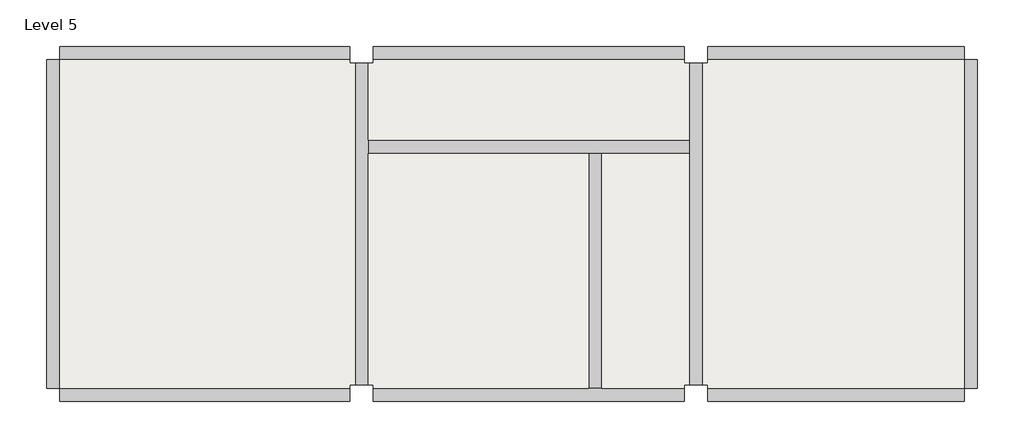
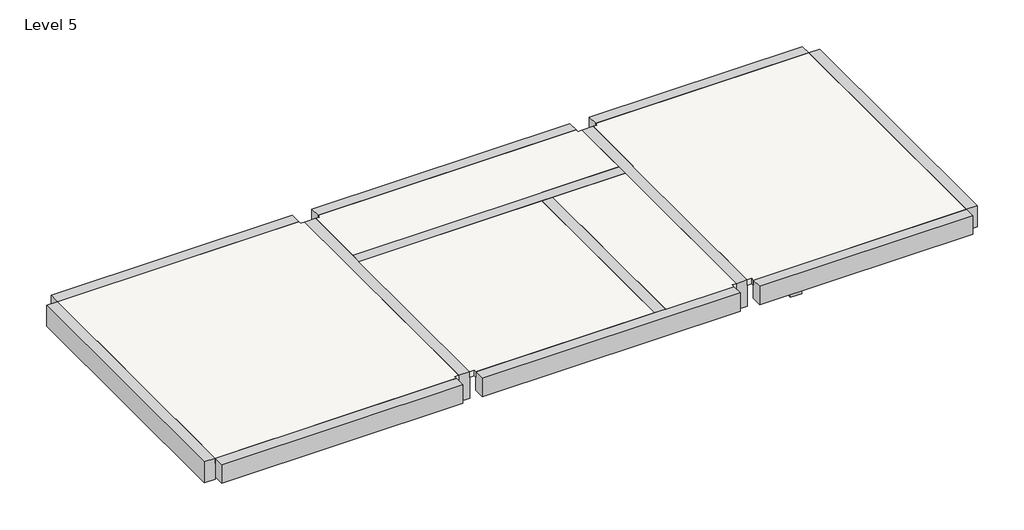
# One storey: 9 beams, 1 slab.
"""IFC4 building model written with IfcOpenShell, lengths in millimetres."""

from ifc_helpers import new_model, si_unit, frame, origin, place, context, project, spatial, polyline, outline, extrude, faceted_brep, element, save

model = new_model("IFC4")

# Units and contexts
model_context = context("Model", 3, world=origin())
ifc_project = project(units=[si_unit("LENGTHUNIT", "METRE", prefix="MILLI")], contexts=[model_context])

# Site, building, storey
site = spatial("IfcSite", under=ifc_project)
building = spatial("IfcBuilding", under=site)
storey = spatial("IfcBuildingStorey", under=building, Name="Level 5", Elevation=15800.0)

# Beams
placement = place(None, origin())
element("IfcBeam", 1, ObjectType="200x300", at=placement, inside=storey, context=model_context, shape_type="Brep", body=[
    faceted_brep([(-6151.8328064, 1922.2386726, 15800.0), (-6151.8328064, 1722.2386726, 15800.0), (-2869.5898832, 1722.2386726, 15800.0), (-2669.5898832, 1722.2386726, 15800.0), (-1369.5898832, 1722.2386726, 15800.0), (-1369.5898832, 1922.2386726, 15800.0), (-6151.8328064, 1722.2386726, 15700.0), (-6151.8328064, 1722.2386726, 15500.0), (-2869.5898832, 1722.2386726, 15500.0), (-2669.5898832, 1722.2386726, 15500.0), (-1369.5898832, 1722.2386726, 15500.0), (-1369.5898832, 1722.2386726, 15700.0), (-6151.8328064, 1922.2386726, 15500.0), (-1369.5898832, 1922.2386726, 15500.0), (-6151.8328064, 1922.2386726, 15700.0), (-1369.5898832, 1922.2386726, 15700.0)], [[[0, 1, 2, 3, 4, 5]], [[1, 6, 7, 8, 9, 10, 11, 4, 3, 2]], [[7, 12, 13, 10, 9, 8]], [[12, 14, 0, 5, 15, 13]], [[1, 0, 14, 12, 7, 6]], [[5, 4, 11, 10, 13, 15]]]),
])
element("IfcBeam", 2, ObjectType="200x300", at=placement, inside=storey, context=model_context, shape_type="Brep", body=[
    faceted_brep([(-2669.5898832, -1777.7613274, 15800.0), (-2869.5898832, -1777.7613274, 15800.0), (-2869.5898832, -1777.7613274, 15700.0), (-2869.5898832, -1777.7613274, 15500.0), (-2669.5898832, -1777.7613274, 15500.0), (-2669.5898832, -1777.7613274, 15700.0), (-2669.5898832, 1722.2386726, 15800.0), (-2869.5898832, 1722.2386726, 15800.0), (-2869.5898832, 1722.2386726, 15700.0), (-2869.5898832, 1722.2386726, 15500.0), (-2669.5898832, 1722.2386726, 15500.0), (-2669.5898832, 1722.2386726, 15700.0)], [[[0, 1, 2, 3, 4, 5]], [[1, 0, 6, 7]], [[3, 2, 1, 7, 8, 9]], [[4, 3, 9, 10]], [[0, 5, 4, 10, 11, 6]], [[7, 6, 11, 10, 9, 8]]]),
])
element("IfcBeam", 3, ObjectType="200x350", at=placement, inside=storey, context=model_context, shape_type="Brep", body=[
    faceted_brep([(2730.4101168, 3322.2386726, 15450.0), (2730.4101168, 3122.2386726, 15450.0), (-269.5898832, 3122.2386726, 15450.0), (-469.5898832, 3122.2386726, 15450.0), (-1094.5898832, 3122.2386726, 15450.0), (-1094.5898832, 3322.2386726, 15450.0), (2730.4101168, 3122.2386726, 15700.0), (2730.4101168, 3122.2386726, 15800.0), (-1094.5898832, 3122.2386726, 15800.0), (-1094.5898832, 3122.2386726, 15700.0), (2730.4101168, 3322.2386726, 15800.0), (-1094.5898832, 3322.2386726, 15800.0)], [[[0, 1, 2, 3, 4, 5]], [[1, 6, 7, 8, 9, 4, 3, 2]], [[10, 0, 5, 11]], [[7, 10, 11, 8]], [[1, 0, 10, 7, 6]], [[5, 4, 9, 8, 11]]]),
    faceted_brep([(-10751.8328064, 3322.2386726, 15450.0), (-10751.8328064, 3122.2386726, 15450.0), (-10751.8328064, 3122.2386726, 15700.0), (-10751.8328064, 3122.2386726, 15800.0), (-10751.8328064, 3322.2386726, 15800.0), (-6426.8328064, 3122.2386726, 15450.0), (-6426.8328064, 3322.2386726, 15450.0), (-6426.8328064, 3322.2386726, 15800.0), (-6426.8328064, 3122.2386726, 15800.0), (-6426.8328064, 3122.2386726, 15700.0)], [[[0, 1, 2, 3, 4]], [[5, 6, 7, 8, 9]], [[1, 0, 6, 5]], [[3, 2, 1, 5, 9, 8]], [[0, 4, 7, 6]], [[4, 3, 8, 7]]]),
    faceted_brep([(-6076.8328064, 3322.2386726, 15450.0), (-6076.8328064, 3122.2386726, 15450.0), (-6076.8328064, 3122.2386726, 15700.0), (-6076.8328064, 3122.2386726, 15800.0), (-6076.8328064, 3322.2386726, 15800.0), (-1444.5898832, 3122.2386726, 15450.0), (-1444.5898832, 3322.2386726, 15450.0), (-1444.5898832, 3322.2386726, 15800.0), (-1444.5898832, 3122.2386726, 15800.0), (-1444.5898832, 3122.2386726, 15700.0)], [[[0, 1, 2, 3, 4]], [[5, 6, 7, 8, 9]], [[1, 0, 6, 5]], [[3, 2, 1, 5, 9, 8]], [[0, 4, 7, 6]], [[4, 3, 8, 7]]]),
])
element("IfcBeam", 4, ObjectType="200x350", at=placement, inside=storey, context=model_context, shape_type="Brep", body=[
    faceted_brep([(-10751.8328064, -1977.7613274, 15450.0), (-10751.8328064, -1777.7613274, 15450.0), (-6426.8328064, -1777.7613274, 15450.0), (-6426.8328064, -1977.7613274, 15450.0), (-10751.8328064, -1777.7613274, 15700.0), (-10751.8328064, -1777.7613274, 15800.0), (-6426.8328064, -1777.7613274, 15800.0), (-6426.8328064, -1777.7613274, 15700.0), (-10751.8328064, -1977.7613274, 15800.0), (-6426.8328064, -1977.7613274, 15800.0)], [[[0, 1, 2, 3]], [[1, 4, 5, 6, 7, 2]], [[8, 0, 3, 9]], [[5, 8, 9, 6]], [[1, 0, 8, 5, 4]], [[3, 2, 7, 6, 9]]]),
    faceted_brep([(2730.4101168, -1977.7613274, 15450.0), (2730.4101168, -1777.7613274, 15450.0), (2730.4101168, -1777.7613274, 15700.0), (2730.4101168, -1777.7613274, 15800.0), (2730.4101168, -1977.7613274, 15800.0), (-1094.5898832, -1777.7613274, 15450.0), (-1094.5898832, -1977.7613274, 15450.0), (-1094.5898832, -1977.7613274, 15800.0), (-1094.5898832, -1777.7613274, 15800.0), (-1094.5898832, -1777.7613274, 15700.0), (-469.5898832, -1777.7613274, 15450.0), (-269.5898832, -1777.7613274, 15450.0)], [[[0, 1, 2, 3, 4]], [[5, 6, 7, 8, 9]], [[1, 0, 6, 5, 10, 11]], [[3, 2, 1, 11, 10, 5, 9, 8]], [[0, 4, 7, 6]], [[4, 3, 8, 7]]]),
    faceted_brep([(-1444.5898832, -1977.7613274, 15450.0), (-1444.5898832, -1777.7613274, 15450.0), (-1444.5898832, -1777.7613274, 15700.0), (-1444.5898832, -1777.7613274, 15800.0), (-1444.5898832, -1977.7613274, 15800.0), (-6076.8328064, -1777.7613274, 15450.0), (-6076.8328064, -1977.7613274, 15450.0), (-6076.8328064, -1977.7613274, 15800.0), (-6076.8328064, -1777.7613274, 15800.0), (-6076.8328064, -1777.7613274, 15700.0), (-2869.5898832, -1777.7613274, 15800.0), (-2669.5898832, -1777.7613274, 15800.0)], [[[0, 1, 2, 3, 4]], [[5, 6, 7, 8, 9]], [[1, 0, 6, 5]], [[3, 2, 1, 5, 9, 8, 10, 11]], [[0, 4, 7, 6]], [[4, 3, 11, 10, 8, 7]]]),
])
element("IfcBeam", 5, ObjectType="200x400", at=placement, inside=storey, context=model_context, shape_type="Brep", body=[
    faceted_brep([(2730.4101168, -1777.7613274, 15400.0), (2730.4101168, -1777.7613274, 15700.0), (2730.4101168, -1777.7613274, 15800.0), (2730.4101168, 3122.2386726, 15800.0), (2730.4101168, 3122.2386726, 15700.0), (2730.4101168, 3122.2386726, 15400.0), (2930.4101168, -1777.7613274, 15400.0), (2930.4101168, 3122.2386726, 15400.0), (2930.4101168, -1777.7613274, 15800.0), (2930.4101168, 3122.2386726, 15800.0)], [[[0, 1, 2, 3, 4, 5]], [[6, 0, 5, 7]], [[8, 6, 7, 9]], [[2, 8, 9, 3]], [[2, 1, 0, 6, 8]], [[5, 4, 3, 9, 7]]]),
])
element("IfcBeam", 6, ObjectType="200x400", at=placement, inside=storey, context=model_context, shape_type="Brep", body=[
    faceted_brep([(-10751.8328064, 3122.2386726, 15400.0), (-10751.8328064, 3122.2386726, 15700.0), (-10751.8328064, 3122.2386726, 15800.0), (-10751.8328064, -1777.7613274, 15800.0), (-10751.8328064, -1777.7613274, 15700.0), (-10751.8328064, -1777.7613274, 15400.0), (-10951.8328064, 3122.2386726, 15400.0), (-10951.8328064, -1777.7613274, 15400.0), (-10951.8328064, 3122.2386726, 15800.0), (-10951.8328064, -1777.7613274, 15800.0)], [[[0, 1, 2, 3, 4, 5]], [[6, 0, 5, 7]], [[8, 6, 7, 9]], [[2, 8, 9, 3]], [[2, 1, 0, 6, 8]], [[5, 4, 3, 9, 7]]]),
])
element("IfcBeam", 7, ObjectType="200x500", at=placement, inside=storey, context=model_context, shape_type="Brep", body=[
    faceted_brep([(-6151.8328064, -1727.7613274, 15800.0), (-6151.8328064, -1727.7613274, 15700.0), (-6151.8328064, -1727.7613274, 15300.0), (-6151.8328064, 3072.2386726, 15300.0), (-6151.8328064, 3072.2386726, 15700.0), (-6151.8328064, 3072.2386726, 15800.0), (-6151.8328064, 1922.2386726, 15800.0), (-6151.8328064, 1722.2386726, 15800.0), (-6351.8328064, -1727.7613274, 15800.0), (-6351.8328064, 3072.2386726, 15800.0), (-6351.8328064, -1727.7613274, 15300.0), (-6351.8328064, 3072.2386726, 15300.0), (-6351.8328064, -1727.7613274, 15700.0), (-6351.8328064, 3072.2386726, 15700.0)], [[[0, 1, 2, 3, 4, 5, 6, 7]], [[8, 0, 7, 6, 5, 9]], [[2, 10, 11, 3]], [[10, 12, 8, 9, 13, 11]], [[2, 1, 0, 8, 12, 10]], [[5, 4, 3, 11, 13, 9]]]),
])
element("IfcBeam", 8, ObjectType="200x500", at=placement, inside=storey, context=model_context, shape_type="Brep", body=[
    faceted_brep([(-1169.5898832, -1727.7613274, 15800.0), (-1169.5898832, -1727.7613274, 15700.0), (-1169.5898832, -1727.7613274, 15300.0), (-1169.5898832, 3072.2386726, 15300.0), (-1169.5898832, 3072.2386726, 15700.0), (-1169.5898832, 3072.2386726, 15800.0), (-1369.5898832, -1727.7613274, 15800.0), (-1369.5898832, 3072.2386726, 15800.0), (-1369.5898832, 1922.2386726, 15800.0), (-1369.5898832, 1722.2386726, 15800.0), (-1369.5898832, -1727.7613274, 15300.0), (-1369.5898832, 3072.2386726, 15300.0), (-1369.5898832, -1727.7613274, 15700.0), (-1369.5898832, 3072.2386726, 15700.0)], [[[0, 1, 2, 3, 4, 5]], [[6, 0, 5, 7, 8, 9]], [[2, 10, 11, 3]], [[10, 12, 6, 9, 8, 7, 13, 11]], [[2, 1, 0, 6, 12, 10]], [[5, 4, 3, 11, 13, 7]]]),
])
element("IfcBeam", 9, ObjectType="200x500", at=placement, inside=storey, context=model_context, shape_type="SweptSolid", body=[
    extrude(outline(polyline([(3197.2386726, 15300.0), (-1852.7613274, 15300.0), (-1852.7613274, 15450.0), (-1777.7613274, 15450.0), (-1777.7613274, 15700.0), (3122.2386726, 15700.0), (3122.2386726, 15450.0), (3197.2386726, 15450.0), (3197.2386726, 15300.0)])), frame((-469.5898832, 0.0, 0.0), z_axis=(1.0, 0.0, 0.0), x_axis=(0.0, 1.0, 0.0)), (0.0, 0.0, 1.0), 200.0),
])

# Slab
element("IfcSlab", 10, ObjectType="Hs (100)", at=placement, inside=storey, context=model_context, shape_type="Brep", body=[
    faceted_brep([(-6426.8328064, 3122.2386726, 15700.0), (-6426.8328064, 3072.2386726, 15700.0), (-6351.8328064, 3072.2386726, 15700.0), (-6351.8328064, 1922.2386726, 15700.0), (-6351.8328064, 1722.2386726, 15700.0), (-6351.8328064, -1727.7613274, 15700.0), (-6426.8328064, -1727.7613274, 15700.0), (-6426.8328064, -1777.7613274, 15700.0), (-10751.8328064, -1777.7613274, 15700.0), (-10751.8328064, 3122.2386726, 15700.0), (-6426.8328064, 3072.2386726, 15800.0), (-6426.8328064, 3122.2386726, 15800.0), (-10751.8328064, 3122.2386726, 15800.0), (-10751.8328064, -1777.7613274, 15800.0), (-6426.8328064, -1777.7613274, 15800.0), (-6426.8328064, -1727.7613274, 15800.0), (-6351.8328064, -1727.7613274, 15800.0), (-6351.8328064, 1722.2386726, 15800.0), (-6351.8328064, 1922.2386726, 15800.0), (-6351.8328064, 3072.2386726, 15800.0)], [[[0, 1, 2, 3, 4, 5, 6, 7, 8, 9]], [[10, 11, 12, 13, 14, 15, 16, 17, 18, 19]], [[11, 0, 9, 12]], [[7, 14, 13, 8]], [[15, 6, 5, 16]], [[6, 15, 14, 7]], [[1, 10, 19, 2]], [[10, 1, 0, 11]], [[9, 8, 13, 12]], [[16, 5, 4, 3, 2, 19, 18, 17]]]),
    faceted_brep([(-6076.8328064, 3072.2386726, 15700.0), (-6076.8328064, 3122.2386726, 15700.0), (-1444.5898832, 3122.2386726, 15700.0), (-1444.5898832, 3072.2386726, 15700.0), (-1369.5898832, 3072.2386726, 15700.0), (-1369.5898832, 1922.2386726, 15700.0), (-2669.5898832, 1922.2386726, 15700.0), (-2869.5898832, 1922.2386726, 15700.0), (-6151.8328064, 1922.2386726, 15700.0), (-6151.8328064, 3072.2386726, 15700.0), (-1444.5898832, 3072.2386726, 15800.0), (-1444.5898832, 3122.2386726, 15800.0), (-6076.8328064, 3122.2386726, 15800.0), (-6076.8328064, 3072.2386726, 15800.0), (-6151.8328064, 3072.2386726, 15800.0), (-6151.8328064, 1922.2386726, 15800.0), (-2869.5898832, 1922.2386726, 15800.0), (-2669.5898832, 1922.2386726, 15800.0), (-1369.5898832, 1922.2386726, 15800.0), (-1369.5898832, 3072.2386726, 15800.0)], [[[0, 1, 2, 3, 4, 5, 6, 7, 8, 9]], [[10, 11, 12, 13, 14, 15, 16, 17, 18, 19]], [[2, 1, 12, 11]], [[13, 0, 9, 14]], [[0, 13, 12, 1]], [[3, 10, 19, 4]], [[10, 3, 2, 11]], [[14, 9, 8, 15]], [[4, 19, 18, 5]], [[15, 8, 7, 6, 5, 18, 17, 16]]]),
    faceted_brep([(-1094.5898832, 3072.2386726, 15700.0), (-1094.5898832, 3122.2386726, 15700.0), (-469.5898832, 3122.2386726, 15700.0), (-269.5898832, 3122.2386726, 15700.0), (2730.4101168, 3122.2386726, 15700.0), (2730.4101168, -1777.7613274, 15700.0), (-269.5898832, -1777.7613274, 15700.0), (-469.5898832, -1777.7613274, 15700.0), (-1094.5898832, -1777.7613274, 15700.0), (-1094.5898832, -1727.7613274, 15700.0), (-1169.5898832, -1727.7613274, 15700.0), (-1169.5898832, 1722.2386726, 15700.0), (-1169.5898832, 1922.2386726, 15700.0), (-1169.5898832, 3072.2386726, 15700.0), (-1094.5898832, 3122.2386726, 15800.0), (-1094.5898832, 3072.2386726, 15800.0), (-1169.5898832, 3072.2386726, 15800.0), (-1169.5898832, 1922.2386726, 15800.0), (-1169.5898832, 1722.2386726, 15800.0), (-1169.5898832, -1727.7613274, 15800.0), (-1094.5898832, -1727.7613274, 15800.0), (-1094.5898832, -1777.7613274, 15800.0), (2730.4101168, -1777.7613274, 15800.0), (2730.4101168, 3122.2386726, 15800.0)], [[[0, 1, 2, 3, 4, 5, 6, 7, 8, 9, 10, 11, 12, 13]], [[14, 15, 16, 17, 18, 19, 20, 21, 22, 23]], [[1, 14, 23, 4, 3, 2]], [[8, 7, 6, 5, 22, 21]], [[4, 23, 22, 5]], [[9, 20, 19, 10]], [[20, 9, 8, 21]], [[15, 0, 13, 16]], [[0, 15, 14, 1]], [[10, 19, 18, 17, 16, 13, 12, 11]]]),
    faceted_brep([(-1444.5898832, -1727.7613274, 15700.0), (-1444.5898832, -1777.7613274, 15700.0), (-2669.5898832, -1777.7613274, 15700.0), (-2669.5898832, 1722.2386726, 15700.0), (-1369.5898832, 1722.2386726, 15700.0), (-1369.5898832, -1727.7613274, 15700.0), (-1444.5898832, -1777.7613274, 15800.0), (-1444.5898832, -1727.7613274, 15800.0), (-1369.5898832, -1727.7613274, 15800.0), (-1369.5898832, 1722.2386726, 15800.0), (-2669.5898832, 1722.2386726, 15800.0), (-2669.5898832, -1777.7613274, 15800.0)], [[[0, 1, 2, 3, 4, 5]], [[6, 7, 8, 9, 10, 11]], [[1, 6, 11, 2]], [[7, 0, 5, 8]], [[0, 7, 6, 1]], [[8, 5, 4, 9]], [[9, 4, 3, 10]], [[3, 2, 11, 10]]]),
    faceted_brep([(-6076.8328064, -1777.7613274, 15700.0), (-6076.8328064, -1727.7613274, 15700.0), (-6151.8328064, -1727.7613274, 15700.0), (-6151.8328064, 1722.2386726, 15700.0), (-2869.5898832, 1722.2386726, 15700.0), (-2869.5898832, -1777.7613274, 15700.0), (-6076.8328064, -1727.7613274, 15800.0), (-6076.8328064, -1777.7613274, 15800.0), (-2869.5898832, -1777.7613274, 15800.0), (-2869.5898832, 1722.2386726, 15800.0), (-6151.8328064, 1722.2386726, 15800.0), (-6151.8328064, -1727.7613274, 15800.0)], [[[0, 1, 2, 3, 4, 5]], [[6, 7, 8, 9, 10, 11]], [[7, 0, 5, 8]], [[1, 6, 11, 2]], [[6, 1, 0, 7]], [[2, 11, 10, 3]], [[3, 10, 9, 4]], [[5, 4, 9, 8]]]),
])

save(model, "model.ifc")
